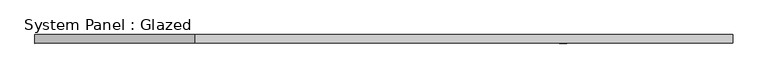
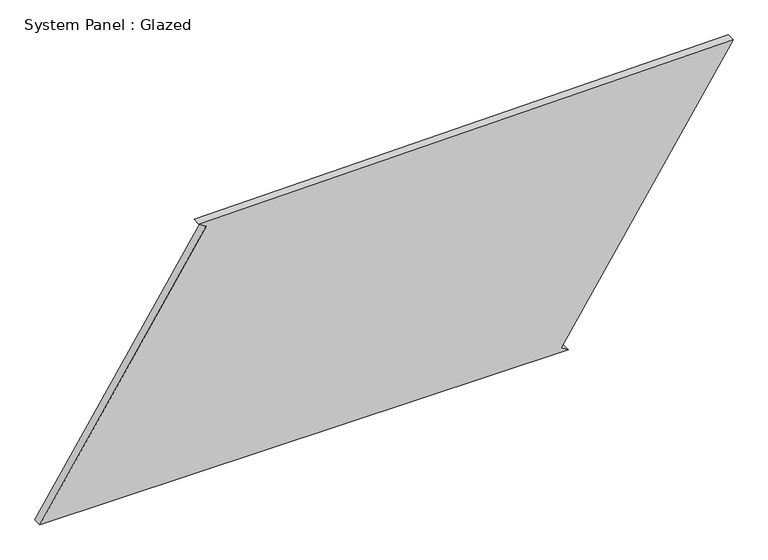
"""IFC4 building model written with IfcOpenShell, lengths in millimetres: plate geometry, System Panel : Glazed."""

from ifc_helpers import new_model, si_unit, frame, origin, place, context, project, spatial, polyline, outline, extrude, source, transform, mapped, element, save


def system_panel_glazed_1f3b1f84(model_context):
    return source(origin(), model_context, "Body", "SweptSolid", [
        extrude(outline(polyline([(0.0, -1020.131967), (0.0, 534.9650725), (13.5933549, 513.9836355), (794.8367952, 1020.131967), (771.4541774, -551.7149377), (757.8920836, -530.7132804), (0.0, -1020.131967)])), frame((0.0, -49.5, 0.0), z_axis=(0.0, 1.0, 0.0), x_axis=(0.0, 0.0, 1.0)), (0.0, 0.0, 1.0), 25.0),
    ])


if __name__ == "__main__":
    model = new_model("IFC4")
    model_context = context("Model", 3, world=origin())
    ifc_project = project(units=[si_unit("LENGTHUNIT", "METRE", prefix="MILLI")], contexts=[model_context])
    site = spatial("IfcSite", under=ifc_project)
    building = spatial("IfcBuilding", under=site)
    placement = place(None, origin())
    system_panel_glazed_shape = system_panel_glazed_1f3b1f84(model_context)
    element("IfcPlate", 1, ObjectType="System Panel : Glazed", at=placement, inside=building, context=model_context, shape_type="MappedRepresentation", body=[
        mapped(system_panel_glazed_shape, transform((0.0, 0.0, 0.0), x_axis=(1.0, 0.0, 0.0), y_axis=(0.0, 1.0, 0.0), z_axis=(0.0, 0.0, 1.0))),
    ])
    save(model, "model.ifc")
